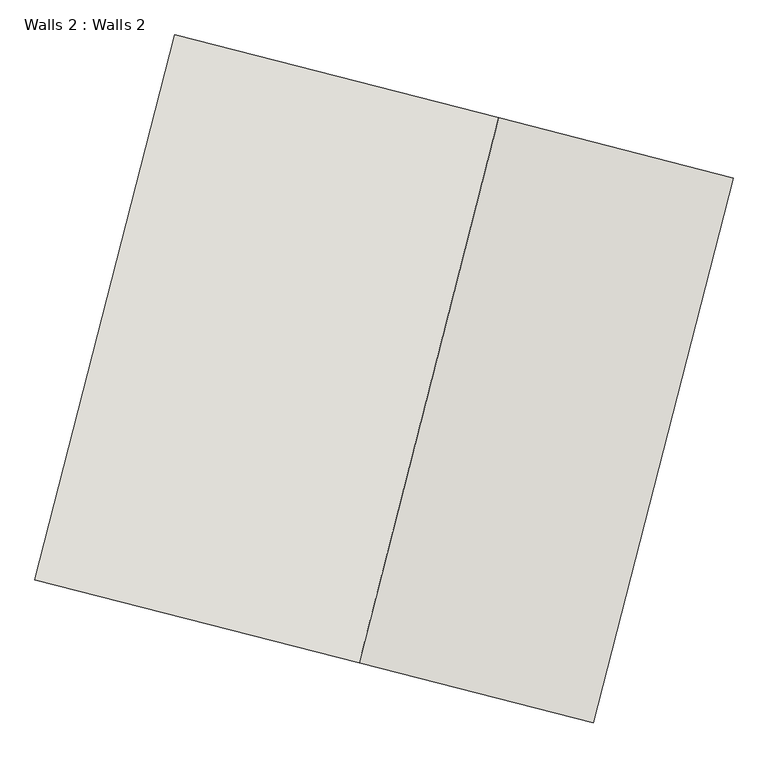
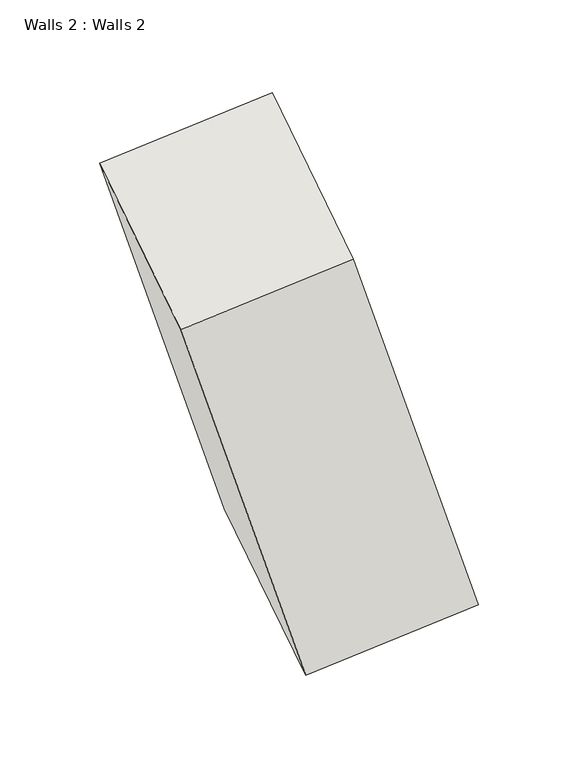
"""IFC4 building model written with IfcOpenShell, lengths in millimetres: wall geometry, Walls 2 : Walls 2."""

from ifc_helpers import new_model, si_unit, frame, origin, place, context, project, spatial, polyline, outline, extrude, source, transform, mapped, element, save


def walls_2_walls_2_448a0761(model_context):
    return source(origin(), model_context, "Body", "SweptSolid", [
        extrude(outline(polyline([(0.0, -1427.8142583), (0.0, 0.0), (884.1863464, 0.0), (884.1863464, -1427.8142583), (0.0, -1427.8142583)])), frame((4286.4893346, -3513.5215741, 1239.2736266), z_axis=(-0.270341154784364, 0.06925219151699681, 0.9602706878791781), x_axis=(-0.9302341760131045, 0.23829429656869747, -0.2790702528039315)), (0.0, 0.0, 1.0), 2200.0),
    ])


if __name__ == "__main__":
    model = new_model("IFC4")
    model_context = context("Model", 3, world=origin())
    ifc_project = project(units=[si_unit("LENGTHUNIT", "METRE", prefix="MILLI")], contexts=[model_context])
    site = spatial("IfcSite", under=ifc_project)
    building = spatial("IfcBuilding", under=site)
    placement = place(None, origin())
    walls_2_walls_2_shape = walls_2_walls_2_448a0761(model_context)
    element("IfcWall", 1, ObjectType="Walls 2 : Walls 2", at=placement, inside=building, context=model_context, shape_type="MappedRepresentation", body=[
        mapped(walls_2_walls_2_shape, transform((0.0, 0.0, 0.0), x_axis=(1.0, 0.0, 0.0), y_axis=(0.0, 1.0, 0.0), z_axis=(0.0, 0.0, 1.0))),
    ])
    save(model, "model.ifc")
